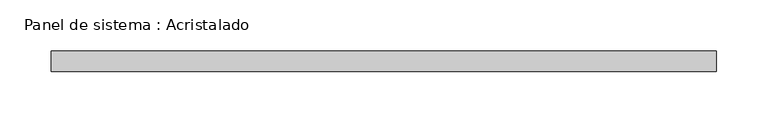
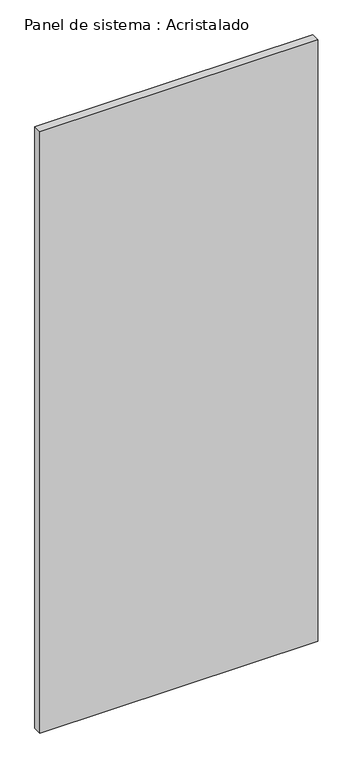
"""IFC4 building model written with IfcOpenShell, lengths in millimetres: plate geometry, Panel de sistema : Acristalado."""

from ifc_helpers import new_model, si_unit, origin, origin_with_axes, place, context, project, spatial, polyline, outline, extrude, source, transform, mapped, element, save


def panel_de_sistema_acristalado_33b859c3(model_context):
    return source(origin(), model_context, "Body", "SweptSolid", [
        extrude(outline(polyline([(324.5, -10.0), (-324.5, -10.0), (-324.5, 10.0), (324.5, 10.0), (324.5, -10.0)])), origin_with_axes(), (0.0, 0.0, 1.0), 1484.7728258),
    ])


if __name__ == "__main__":
    model = new_model("IFC4")
    model_context = context("Model", 3, world=origin())
    ifc_project = project(units=[si_unit("LENGTHUNIT", "METRE", prefix="MILLI")], contexts=[model_context])
    site = spatial("IfcSite", under=ifc_project)
    building = spatial("IfcBuilding", under=site)
    placement = place(None, origin())
    panel_de_sistema_acristalado_shape = panel_de_sistema_acristalado_33b859c3(model_context)
    element("IfcPlate", 1, ObjectType="Panel de sistema : Acristalado", at=placement, inside=building, context=model_context, shape_type="MappedRepresentation", body=[
        mapped(panel_de_sistema_acristalado_shape, transform((0.0, 0.0, 0.0), x_axis=(1.0, 0.0, 0.0), y_axis=(0.0, 1.0, 0.0), z_axis=(0.0, 0.0, 1.0))),
    ])
    save(model, "model.ifc")
